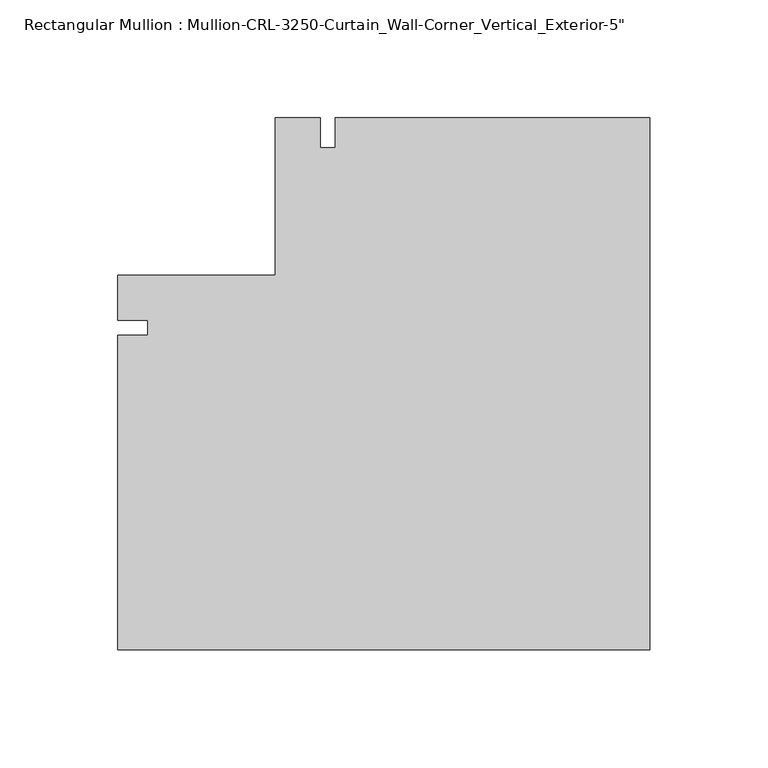
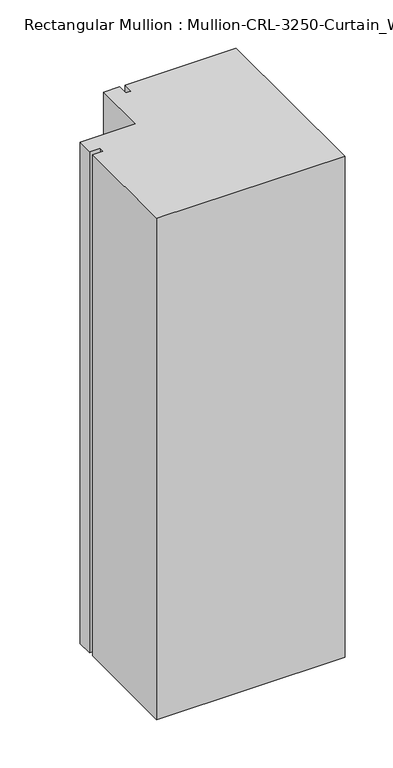
"""IFC4 building model written with IfcOpenShell, lengths in millimetres: member geometry."""

from ifc_helpers import new_model, si_unit, frame, origin, place, context, project, spatial, polyline, outline, extrude, source, transform, mapped, element, save


def member_63591a09(model_context):
    return source(origin(), model_context, "Body", "SweptSolid", [
        extrude(outline(polyline([(0.0, -136.5246929), (-225.4238258, -136.5246929), (-225.4238258, -3.175), (-212.7238258, -3.175), (-212.7238258, 3.175), (-225.4238258, 3.175), (-225.4238258, 22.2253288), (-158.7494885, 22.2253288), (-158.7494885, 88.899997), (-139.699596, 88.899997), (-139.699596, 76.2084061), (-133.349596, 76.2084061), (-133.349596, 88.899997), (0.0, 88.899997), (0.0, -136.5246929)])), frame((0.0, 0.0, -635.0), z_axis=(0.0, 0.0, 1.0), x_axis=(1.0, 0.0, 0.0)), (0.0, 0.0, 1.0), 635.0),
    ])


if __name__ == "__main__":
    model = new_model("IFC4")
    model_context = context("Model", 3, world=origin())
    ifc_project = project(units=[si_unit("LENGTHUNIT", "METRE", prefix="MILLI")], contexts=[model_context])
    site = spatial("IfcSite", under=ifc_project)
    building = spatial("IfcBuilding", under=site)
    placement = place(None, origin())
    member_shape = member_63591a09(model_context)
    element("IfcMember", 1, ObjectType="Rectangular Mullion : Mullion-CRL-3250-Curtain_Wall-Corner_Vertical_Exterior-5\"", at=placement, inside=building, context=model_context, shape_type="MappedRepresentation", body=[
        mapped(member_shape, transform((0.0, 0.0, 0.0), x_axis=(1.0, 0.0, 0.0), y_axis=(0.0, 1.0, 0.0), z_axis=(0.0, 0.0, 1.0))),
    ])
    save(model, "model.ifc")
